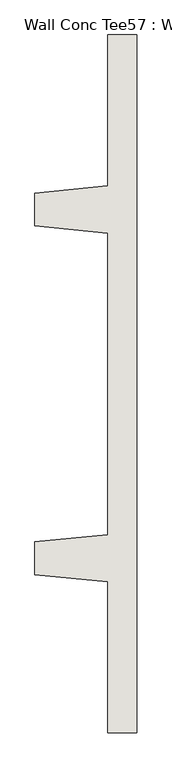
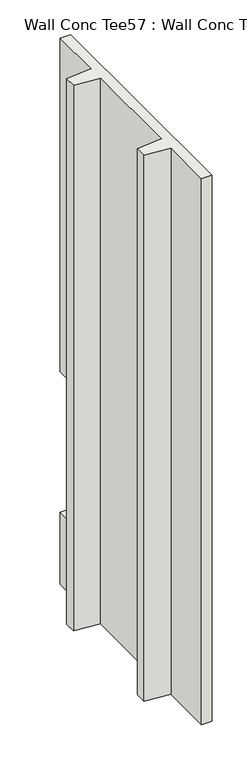
"""IFC4 building model written with IfcOpenShell, lengths in millimetres: wall geometry, Wall Conc Tee57 : Wall Conc Tee."""

from ifc_helpers import new_model, si_unit, origin, place, context, project, spatial, faceted_brep, source, transform, mapped, element, save


def wall_conc_tee57_wall_conc_tee_0ed5bfc7(model_context):
    return source(origin(), model_context, "Body", "Brep", [
        faceted_brep([(204051.6728488, 186017.6596581, 5884.1592564), (204051.6728488, 188456.0596581, 5884.1592564), (203950.0728488, 188456.0596581, 5884.1592564), (203950.0728488, 187929.0096581, 5884.1592564), (203696.0728488, 187903.6096581, 5884.1592564), (203696.0728488, 187789.3096581, 5884.1592564), (203950.0728488, 187763.9096581, 5884.1592564), (203950.0728488, 186709.8096581, 5884.1592564), (203696.0728488, 186684.4096581, 5884.1592564), (203696.0728488, 186570.1096581, 5884.1592564), (203950.0728488, 186544.7096581, 5884.1592564), (203950.0728488, 186017.6596581, 5884.1592564), (204051.6728488, 186017.6596581, 143.7592564), (203950.0728488, 186017.6596581, 143.7592564), (203950.0728488, 186544.7096581, 143.7592564), (203696.0728488, 186570.1096581, 143.7592564), (203696.0728488, 186684.4096581, 143.7592564), (203950.0728488, 186709.8096581, 143.7592564), (203950.0728488, 187763.9096581, 143.7592564), (203696.0728488, 187789.3096581, 143.7592564), (203696.0728488, 187903.6096581, 143.7592564), (203950.0728488, 187929.0096581, 143.7592564), (203950.0728488, 188456.0596581, 143.7592564), (204051.6728488, 188456.0596581, 143.7592564), (204051.6728488, 188456.0596581, 899.4092564), (204051.6728488, 187998.8596581, 899.4092564), (204051.6728488, 187998.8596581, 2378.9592564), (204051.6728488, 188456.0596581, 2378.9592564), (203950.0728488, 188456.0596581, 2378.9592564), (203950.0728488, 188456.0596581, 899.4092564), (203950.0728488, 187998.8596581, 2378.9592564), (203950.0728488, 187998.8596581, 899.4092564)], [[[0, 1, 2, 3, 4, 5, 6, 7, 8, 9, 10, 11]], [[12, 13, 14, 15, 16, 17, 18, 19, 20, 21, 22, 23]], [[1, 0, 12, 23, 24, 25, 26, 27]], [[2, 1, 27, 28]], [[23, 22, 29, 24]], [[3, 2, 28, 30, 31, 29, 22, 21]], [[4, 3, 21, 20]], [[5, 4, 20, 19]], [[6, 5, 19, 18]], [[7, 6, 18, 17]], [[8, 7, 17, 16]], [[9, 8, 16, 15]], [[10, 9, 15, 14]], [[11, 10, 14, 13]], [[0, 11, 13, 12]], [[26, 30, 28, 27]], [[31, 25, 24, 29]], [[30, 26, 25, 31]]]),
    ])


if __name__ == "__main__":
    model = new_model("IFC4")
    model_context = context("Model", 3, world=origin())
    ifc_project = project(units=[si_unit("LENGTHUNIT", "METRE", prefix="MILLI")], contexts=[model_context])
    site = spatial("IfcSite", under=ifc_project)
    building = spatial("IfcBuilding", under=site)
    placement = place(None, origin())
    wall_conc_tee57_wall_conc_tee_shape = wall_conc_tee57_wall_conc_tee_0ed5bfc7(model_context)
    element("IfcWall", 1, ObjectType="Wall Conc Tee57 : Wall Conc Tee", at=placement, inside=building, context=model_context, shape_type="MappedRepresentation", body=[
        mapped(wall_conc_tee57_wall_conc_tee_shape, transform((0.0, 0.0, 0.0), x_axis=(1.0, 0.0, 0.0), y_axis=(0.0, 1.0, 0.0), z_axis=(0.0, 0.0, 1.0))),
    ])
    save(model, "model.ifc")
